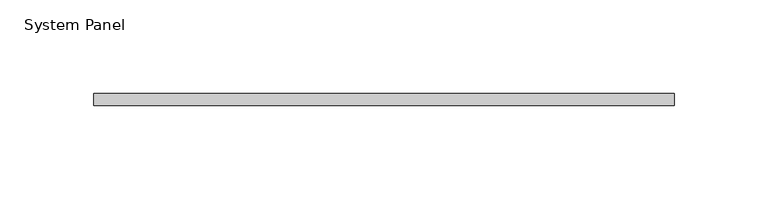
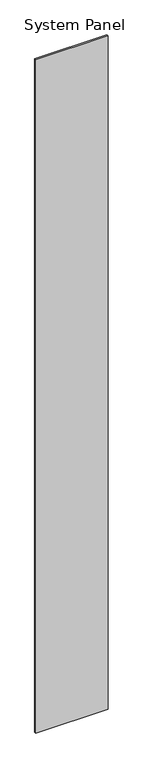
"""IFC4 building model written with IfcOpenShell, lengths in millimetres: plate geometry, System Panel."""

import ifcopenshell
import ifcopenshell.guid

model = None  # the IFC model being written
_history = None  # IfcOwnerHistory: only IFC2X3 demands one
_inside = {}  # id of a spatial element -> (the spatial element, [elements in it])
_under = {}  # id of a project, library or spatial element -> (it, [spatial elements below it])
_declared = {}  # id of a project -> (the project, [libraries it declares])
_typed = {}  # id of a type object -> (the type object, [elements of that type])
_made_of = {}  # id of a material, layer set ... -> (it, [elements and type objects made of it])


def new_model(schema):
    """Start an empty IFC model of exactly this schema.

    Asked for "IFC4X3", IfcOpenShell would pick the latest addendum, in which some entities
    have other attributes; the version numbers below select the first issue.
    IFC2X3 requires an IfcOwnerHistory on every rooted entity: one is made here for all.
    """
    global model, _history
    if schema == "IFC4X3":
        model = ifcopenshell.file(schema_version=(4, 3, 0, 0))
    else:
        model = ifcopenshell.file(schema=schema)
    _inside.clear()
    _under.clear()
    _declared.clear()
    _typed.clear()
    _made_of.clear()
    _history = None
    if model.schema == "IFC2X3":
        org = make("IfcOrganization", Name="unknown")
        user = make(
            "IfcPersonAndOrganization",
            ThePerson=make("IfcPerson", FamilyName="unknown"),
            TheOrganization=org,
        )
        app = make(
            "IfcApplication",
            ApplicationDeveloper=org,
            Version="unknown",
            ApplicationFullName="unknown",
            ApplicationIdentifier="unknown",
        )
        _history = make(
            "IfcOwnerHistory",
            OwningUser=user,
            OwningApplication=app,
            ChangeAction="ADDED",
            CreationDate=0,
        )
    return model


def make(cls, **values):
    """One entity of the class cls with the attributes given. An attribute that is None is left unset."""
    return model.create_entity(
        cls, **{name: value for name, value in values.items() if value is not None}
    )


def rooted(cls, **values):
    """An entity with a GlobalId (a new one), such as an element, a storey or a relation."""
    return make(cls, GlobalId=ifcopenshell.guid.new(), OwnerHistory=_history, **values)


def si_unit(unit_type, name, prefix=None):
    """IfcSIUnit, for example si_unit("LENGTHUNIT", "METRE", prefix="MILLI")."""
    return make("IfcSIUnit", UnitType=unit_type, Prefix=prefix, Name=name)


def assignment(units):
    """IfcUnitAssignment: the units of a project."""
    return None if units is None else make("IfcUnitAssignment", Units=units)


def point(xyz):
    """IfcCartesianPoint."""
    return None if xyz is None else make("IfcCartesianPoint", Coordinates=xyz)


def direction(xyz):
    """IfcDirection."""
    return None if xyz is None else make("IfcDirection", DirectionRatios=xyz)


def frame(location, z_axis=None, x_axis=None):
    """IfcAxis2Placement3D, a coordinate frame: its origin and axes. An axis left out is left unset."""
    return make(
        "IfcAxis2Placement3D",
        Location=point(location),
        Axis=direction(z_axis),
        RefDirection=direction(x_axis),
    )


def origin():
    """The frame at (0, 0, 0) with its axes left unset."""
    return frame((0.0, 0.0, 0.0))


def origin_with_axes():
    """The frame at (0, 0, 0) with the z axis (0, 0, 1) and the x axis (1, 0, 0) written out."""
    return frame((0.0, 0.0, 0.0), z_axis=(0.0, 0.0, 1.0), x_axis=(1.0, 0.0, 0.0))


def place(relative_to, where):
    """IfcLocalPlacement: puts the frame where relative to a parent placement (None: the world)."""
    return make(
        "IfcLocalPlacement", PlacementRelTo=relative_to, RelativePlacement=where
    )


def context(
    kind, dimensions, precision=None, world=None, true_north=None, identifier=None
):
    """IfcGeometricRepresentationContext, for example the 3D "Model" context."""
    return make(
        "IfcGeometricRepresentationContext",
        ContextIdentifier=identifier,
        ContextType=kind,
        CoordinateSpaceDimension=dimensions,
        Precision=precision,
        WorldCoordinateSystem=world,
        TrueNorth=true_north,
    )


def project(units=None, contexts=None):
    """IfcProject with its units and contexts."""
    return rooted(
        "IfcProject",
        Name="project",
        RepresentationContexts=contexts,
        UnitsInContext=assignment(units),
    )


def spatial(cls, under=None, at=None, **own):
    """A site, building, storey or space (cls), placed at a placement, below another one or the project."""
    s = rooted(cls, ObjectPlacement=at, **own)
    if under is not None:
        _under.setdefault(under.id(), (under, []))[1].append(s)
    return s


def polyline(points):
    """IfcPolyline through the points."""
    return make("IfcPolyline", Points=[point(p) for p in points])


def outline(outer, holes=None, kind="AREA"):
    """IfcArbitraryClosedProfileDef: a profile drawn as a closed curve; with holes, ...WithVoids."""
    if holes is None:
        return make("IfcArbitraryClosedProfileDef", ProfileType=kind, OuterCurve=outer)
    return make(
        "IfcArbitraryProfileDefWithVoids",
        ProfileType=kind,
        OuterCurve=outer,
        InnerCurves=holes,
    )


def extrude(swept, where, along, depth):
    """IfcExtrudedAreaSolid: the profile swept, set in the frame where, extruded along a direction by depth."""
    return make(
        "IfcExtrudedAreaSolid",
        SweptArea=swept,
        Position=where,
        ExtrudedDirection=direction(along),
        Depth=depth,
    )


def shape(context_of_items, identifier, shape_type, items):
    """IfcShapeRepresentation: the items that make up one representation, for example the "Body"."""
    return make(
        "IfcShapeRepresentation",
        ContextOfItems=context_of_items,
        RepresentationIdentifier=identifier,
        RepresentationType=shape_type,
        Items=items,
    )


def source(mapping_origin, context_of_items, identifier, shape_type, items):
    """IfcRepresentationMap: a shape defined once, which mapped items show again and again."""
    return make(
        "IfcRepresentationMap",
        MappingOrigin=mapping_origin,
        MappedRepresentation=shape(context_of_items, identifier, shape_type, items),
    )


def transform(
    local_origin,
    x_axis=None,
    y_axis=None,
    z_axis=None,
    scale=None,
    scale2=None,
    scale3=None,
    uniform=True,
):
    """IfcCartesianTransformationOperator3D, or its non-uniform kind. x_axis, y_axis, z_axis: its Axis1, 2, 3."""
    if uniform:
        return make(
            "IfcCartesianTransformationOperator3D",
            Axis1=direction(x_axis),
            Axis2=direction(y_axis),
            LocalOrigin=point(local_origin),
            Scale=scale,
            Axis3=direction(z_axis),
        )
    return make(
        "IfcCartesianTransformationOperator3DnonUniform",
        Axis1=direction(x_axis),
        Axis2=direction(y_axis),
        LocalOrigin=point(local_origin),
        Scale=scale,
        Axis3=direction(z_axis),
        Scale2=scale2,
        Scale3=scale3,
    )


def mapped(mapping_source, mapping_target):
    """IfcMappedItem: shows the shape of a source again, moved by a transform."""
    return make(
        "IfcMappedItem", MappingSource=mapping_source, MappingTarget=mapping_target
    )


def made_of(thing, what):
    """Note that an element or type object is made of a material, layer set ...; save() writes the relation."""
    if what is not None:
        _made_of.setdefault(what.id(), (what, []))[1].append(thing)
    return thing


def element(
    cls,
    number,
    at=None,
    inside=None,
    cuts=None,
    type_object=None,
    material=None,
    context=None,
    identifier="Body",
    shape_type=None,
    held_by="IfcProductDefinitionShape",
    body=None,
    shapes=None,
    **own,
):
    """One element of the class cls, such as IfcWall. Its Tag is "e" and its number.

    at: its placement. inside: the storey or other place that contains it. cuts: it is an
    opening in that element (IfcRelVoidsElement). A single representation is given by context,
    identifier, shape_type and body (its items); several are given by shapes. held_by: the class
    of the entity that holds the representations. save() writes the other relations.
    """
    e = rooted(cls, Tag="e%d" % number, ObjectPlacement=at, **own)
    if body is not None:
        shapes = [shape(context, identifier, shape_type, body)]
    if shapes is not None:
        e.Representation = make(held_by, Representations=shapes)
    if inside is not None:
        _inside.setdefault(inside.id(), (inside, []))[1].append(e)
    if cuts is not None:
        rooted(
            "IfcRelVoidsElement", RelatingBuildingElement=cuts, RelatedOpeningElement=e
        )
    if type_object is not None:
        _typed.setdefault(type_object.id(), (type_object, []))[1].append(e)
    return made_of(e, material)


def aggregate(whole, parts):
    """IfcRelAggregates: a whole, such as a stair, and the parts it consists of."""
    return rooted("IfcRelAggregates", RelatingObject=whole, RelatedObjects=parts)


def save(model, path):
    """Write the relations noted so far, then the file.

    IfcRelAggregates (storeys below a building ...), IfcRelContainedInSpatialStructure (elements
    in a storey), IfcRelDefinesByType, IfcRelAssociatesMaterial and IfcRelDeclares: one each for
    every whole, place, type object, material and project.
    """
    for whole, parts in _under.values():
        aggregate(whole, parts)
    for where, things in _inside.values():
        rooted(
            "IfcRelContainedInSpatialStructure",
            RelatedElements=things,
            RelatingStructure=where,
        )
    for kind, things in _typed.values():
        rooted("IfcRelDefinesByType", RelatedObjects=things, RelatingType=kind)
    for what, things in _made_of.values():
        rooted("IfcRelAssociatesMaterial", RelatedObjects=things, RelatingMaterial=what)
    for by, libraries in _declared.values():
        rooted("IfcRelDeclares", RelatingContext=by, RelatedDefinitions=libraries)
    model.write(path)


def system_panel_8b05656a(model_context):
    return source(origin(), model_context, "Body", "SweptSolid", [
        extrude(outline(polyline([(154.9473929, 0.0), (-154.9473929, 0.0), (-154.9473929, 6.35), (154.9473929, 6.35), (154.9473929, 0.0)])), origin_with_axes(), (0.0, 0.0, 1.0), 3048.0),
    ])


if __name__ == "__main__":
    model = new_model("IFC4")
    model_context = context("Model", 3, world=origin())
    ifc_project = project(units=[si_unit("LENGTHUNIT", "METRE", prefix="MILLI")], contexts=[model_context])
    site = spatial("IfcSite", under=ifc_project)
    building = spatial("IfcBuilding", under=site)
    placement = place(None, origin())
    system_panel_shape = system_panel_8b05656a(model_context)
    element("IfcPlate", 1, ObjectType="System Panel", at=placement, inside=building, context=model_context, shape_type="MappedRepresentation", body=[
        mapped(system_panel_shape, transform((0.0, 0.0, 0.0), x_axis=(1.0, 0.0, 0.0), y_axis=(0.0, 1.0, 0.0), z_axis=(0.0, 0.0, 1.0))),
    ])
    save(model, "model.ifc")
